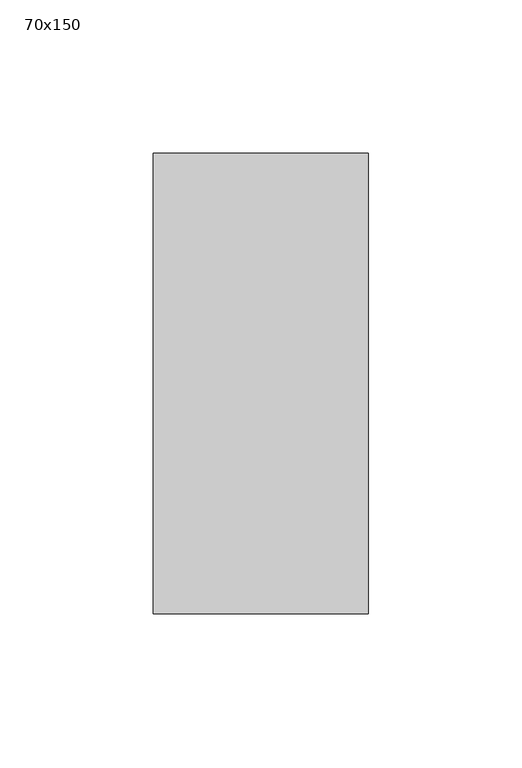
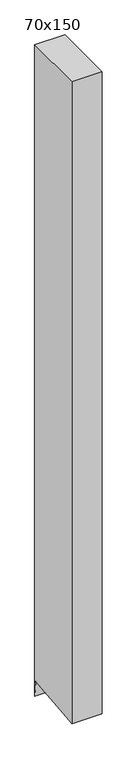
"""IFC4 building model written with IfcOpenShell, lengths in millimetres: member geometry, 70x150."""

from ifc_helpers import new_model, si_unit, frame, origin, place, context, project, spatial, polyline, outline, extrude, source, transform, mapped, element, save


def member_70x150_72e0b058(model_context):
    return source(origin(), model_context, "Body", "SweptSolid", [
        extrude(outline(polyline([(-75.0, 0.0), (75.0, 0.0), (75.0, -1599.0539303), (70.8124004, -1560.2445915), (-75.0, -1575.9780196), (-75.0, 0.0)])), frame((-70.0, 0.0, 0.0), z_axis=(1.0, 0.0, 0.0), x_axis=(0.0, 1.0, 0.0)), (0.0, 0.0, 1.0), 70.0),
    ])


if __name__ == "__main__":
    model = new_model("IFC4")
    model_context = context("Model", 3, world=origin())
    ifc_project = project(units=[si_unit("LENGTHUNIT", "METRE", prefix="MILLI")], contexts=[model_context])
    site = spatial("IfcSite", under=ifc_project)
    building = spatial("IfcBuilding", under=site)
    placement = place(None, origin())
    member_70x150_shape = member_70x150_72e0b058(model_context)
    element("IfcMember", 1, ObjectType="70x150", at=placement, inside=building, context=model_context, shape_type="MappedRepresentation", body=[
        mapped(member_70x150_shape, transform((0.0, 0.0, 0.0), x_axis=(1.0, 0.0, 0.0), y_axis=(0.0, 1.0, 0.0), z_axis=(0.0, 0.0, 1.0))),
    ])
    save(model, "model.ifc")
